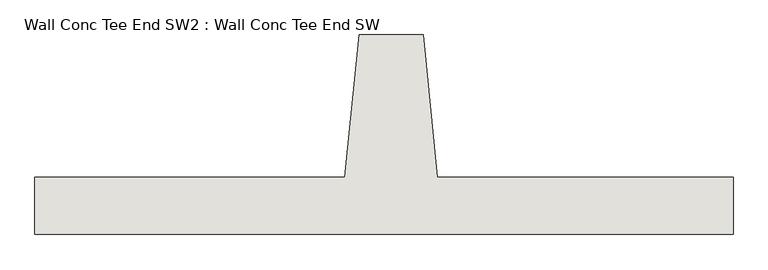
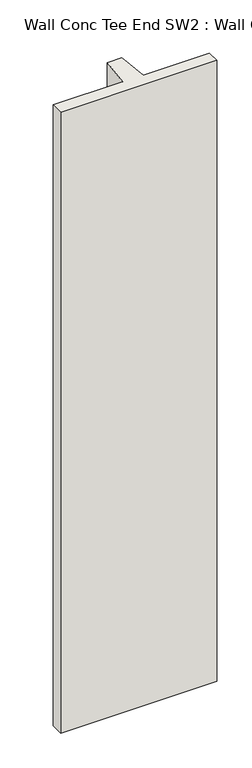
"""IFC4 building model written with IfcOpenShell, lengths in millimetres: wall geometry, Wall Conc Tee End SW2 : Wall Conc Tee End SW."""

from ifc_helpers import new_model, si_unit, frame, origin, place, context, project, spatial, polyline, outline, extrude, source, transform, mapped, element, save


def wall_conc_tee_end_sw2_wall_conc_tee_end_sw_ae30d2b4(model_context):
    return source(origin(), model_context, "Body", "SweptSolid", [
        extrude(outline(polyline([(205296.2728488, 193205.8596581), (205296.2728488, 193104.2596581), (204051.6728488, 193104.2596581), (204051.6728488, 193205.8596581), (204604.1228488, 193205.8596581), (204629.5228488, 193459.8596581), (204743.8228488, 193459.8596581), (204769.2228488, 193205.8596581), (205296.2728488, 193205.8596581)])), frame((0.0, 0.0, 143.7592564), z_axis=(0.0, 0.0, 1.0), x_axis=(1.0, 0.0, 0.0)), (0.0, 0.0, 1.0), 5232.4087123),
    ])


if __name__ == "__main__":
    model = new_model("IFC4")
    model_context = context("Model", 3, world=origin())
    ifc_project = project(units=[si_unit("LENGTHUNIT", "METRE", prefix="MILLI")], contexts=[model_context])
    site = spatial("IfcSite", under=ifc_project)
    building = spatial("IfcBuilding", under=site)
    placement = place(None, origin())
    wall_conc_tee_end_sw2_wall_conc_tee_end_sw_shape = wall_conc_tee_end_sw2_wall_conc_tee_end_sw_ae30d2b4(model_context)
    element("IfcWall", 1, ObjectType="Wall Conc Tee End SW2 : Wall Conc Tee End SW", at=placement, inside=building, context=model_context, shape_type="MappedRepresentation", body=[
        mapped(wall_conc_tee_end_sw2_wall_conc_tee_end_sw_shape, transform((0.0, 0.0, 0.0), x_axis=(1.0, 0.0, 0.0), y_axis=(0.0, 1.0, 0.0), z_axis=(0.0, 0.0, 1.0))),
    ])
    save(model, "model.ifc")
